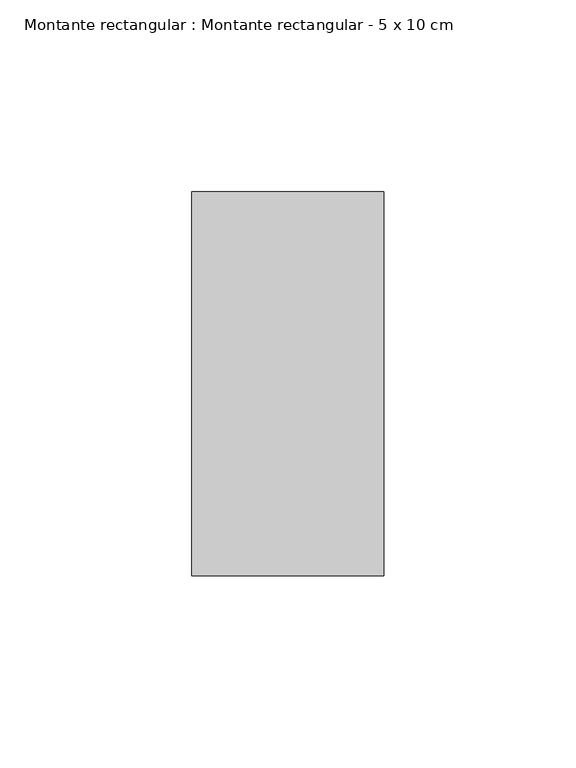
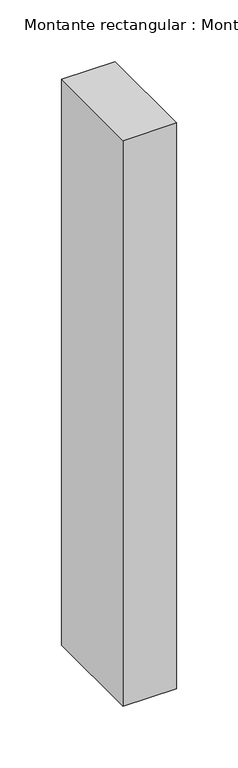
"""IFC4 building model written with IfcOpenShell, lengths in millimetres: member geometry, Montante rectangular : Montante rectangular - 5 x 10 cm."""

from ifc_helpers import new_model, si_unit, frame, origin, place, context, project, spatial, polyline, outline, extrude, source, transform, mapped, element, save


def montante_rectangular_montante_rectangular_5_x_10_cm_e7625a41(model_context):
    return source(origin(), model_context, "Body", "SweptSolid", [
        extrude(outline(polyline([(25.0, 50.0), (25.0, -50.0), (-25.0, -50.0), (-25.0, 50.0), (25.0, 50.0)])), frame((0.0, 0.0, -560.0), z_axis=(0.0, 0.0, 1.0), x_axis=(1.0, 0.0, 0.0)), (0.0, 0.0, 1.0), 560.0),
    ])


if __name__ == "__main__":
    model = new_model("IFC4")
    model_context = context("Model", 3, world=origin())
    ifc_project = project(units=[si_unit("LENGTHUNIT", "METRE", prefix="MILLI")], contexts=[model_context])
    site = spatial("IfcSite", under=ifc_project)
    building = spatial("IfcBuilding", under=site)
    placement = place(None, origin())
    montante_rectangular_montante_rectangular_5_x_10_cm_shape = montante_rectangular_montante_rectangular_5_x_10_cm_e7625a41(model_context)
    element("IfcMember", 1, ObjectType="Montante rectangular : Montante rectangular - 5 x 10 cm", at=placement, inside=building, context=model_context, shape_type="MappedRepresentation", body=[
        mapped(montante_rectangular_montante_rectangular_5_x_10_cm_shape, transform((0.0, 0.0, 0.0), x_axis=(1.0, 0.0, 0.0), y_axis=(0.0, 1.0, 0.0), z_axis=(0.0, 0.0, 1.0))),
    ])
    save(model, "model.ifc")
